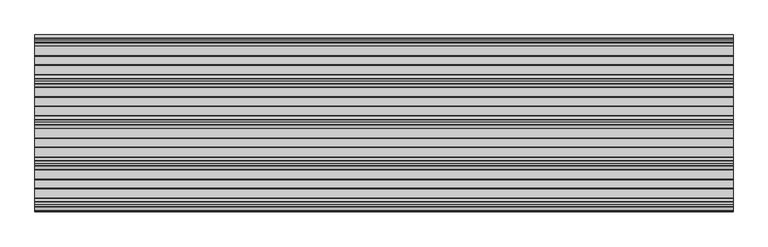
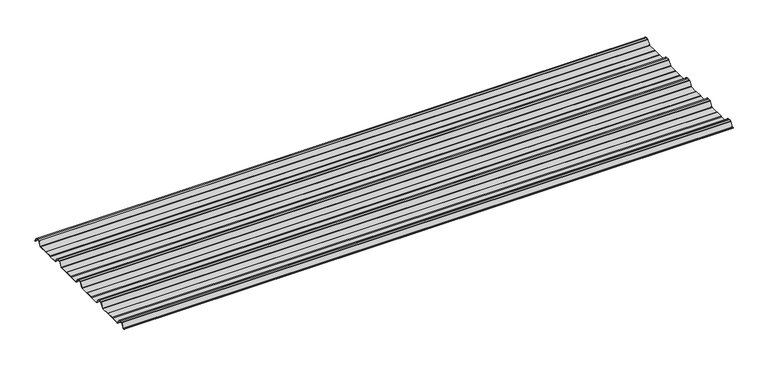
"""IFC4 building model written with IfcOpenShell, lengths in millimetres: beam geometry."""

from ifc_helpers import new_model, si_unit, point, frame, frame_2d, origin, place, context, project, spatial, polyline, circle_curve, trimmed, segment, composite_curve, outline, extrude, source, transform, mapped, element, save


def beam_7249f60c(model_context):
    return source(origin(), model_context, "Body", "SweptSolid", [
        extrude(outline(composite_curve([segment(polyline([(-72.2377386, -25.7896475), (-76.3538889, -24.06703), (-113.6461111, -24.06703), (-117.7622614, -25.7896475), (-160.0, -25.7896475)]), True, "CONTINUOUS"), segment(trimmed(circle_curve(frame_2d((-159.2196788, -21.4509358)), 4.4083239), [point((-160.0, -25.7896475))], [point((-162.8209858, -23.9933574))], False, "CARTESIAN"), True, "CONTINUOUS"), segment(polyline([(-162.8209858, -23.9933574), (-178.3273257, -0.5940367)]), True, "CONTINUOUS"), segment(trimmed(circle_curve(frame_2d((-180.8929255, -2.3855242)), 3.1291741), [point((-178.3273257, -0.5940367))], [point((-179.9028031, 0.582874))], True, "CARTESIAN"), True, "CONTINUOUS"), segment(trimmed(circle_curve(frame_2d((-189.9940851, -29.8891871)), 32.0995402), [point((-179.9028031, 0.582874))], [point((-190.0, 2.2103525))], True, "CARTESIAN"), True, "CONTINUOUS"), segment(trimmed(circle_curve(frame_2d((-190.0059149, -29.8891871)), 32.0995402), [point((-190.0, 2.2103525))], [point((-200.0971969, 0.582874))], True, "CARTESIAN"), True, "CONTINUOUS"), segment(trimmed(circle_curve(frame_2d((-199.1070745, -2.3855242)), 3.1291741), [point((-200.0971969, 0.582874))], [point((-201.6726743, -0.5940367))], True, "CARTESIAN"), True, "CONTINUOUS"), segment(polyline([(-201.6726743, -0.5940367), (-217.1790142, -23.9933574)]), True, "CONTINUOUS"), segment(trimmed(circle_curve(frame_2d((-220.7803212, -21.4509358)), 4.4083239), [point((-217.1790142, -23.9933574))], [point((-220.0, -25.7896475))], False, "CARTESIAN"), True, "CONTINUOUS"), segment(polyline([(-220.0, -25.7896475), (-262.2377386, -25.7896475), (-266.3538889, -24.06703), (-303.6461111, -24.06703), (-307.7622614, -25.7896475), (-350.0, -25.7896475)]), True, "CONTINUOUS"), segment(trimmed(circle_curve(frame_2d((-349.2196788, -21.4509358)), 4.4083239), [point((-350.0, -25.7896475))], [point((-352.8209858, -23.9933574))], False, "CARTESIAN"), True, "CONTINUOUS"), segment(polyline([(-352.8209858, -23.9933574), (-368.3273257, -0.5940367)]), True, "CONTINUOUS"), segment(trimmed(circle_curve(frame_2d((-370.8929255, -2.3855242)), 3.1291741), [point((-368.3273257, -0.5940367))], [point((-369.9028031, 0.582874))], True, "CARTESIAN"), True, "CONTINUOUS"), segment(trimmed(circle_curve(frame_2d((-379.9940851, -29.8891871)), 32.0995402), [point((-369.9028031, 0.582874))], [point((-380.0, 2.2103525))], True, "CARTESIAN"), True, "CONTINUOUS"), segment(trimmed(circle_curve(frame_2d((-380.0059149, -29.8891871)), 32.0995402), [point((-380.0, 2.2103525))], [point((-390.0971969, 0.582874))], True, "CARTESIAN"), True, "CONTINUOUS"), segment(trimmed(circle_curve(frame_2d((-389.1070745, -2.3855242)), 3.1291741), [point((-390.0971969, 0.582874))], [point((-391.6726743, -0.5940367))], True, "CARTESIAN"), True, "CONTINUOUS"), segment(polyline([(-391.6726743, -0.5940367), (-407.1790142, -23.9933574)]), True, "CONTINUOUS"), segment(trimmed(circle_curve(frame_2d((-410.7803212, -21.4509358)), 4.4083239), [point((-407.1790142, -23.9933574))], [point((-410.0, -25.7896475))], False, "CARTESIAN"), True, "CONTINUOUS"), segment(polyline([(-410.0, -25.7896475), (-452.2377387, -25.7896475), (-456.3538889, -24.06703), (-493.6461111, -24.06703), (-497.7622614, -25.7896475), (-540.0, -25.7896475)]), True, "CONTINUOUS"), segment(trimmed(circle_curve(frame_2d((-539.2196788, -21.4509358)), 4.4083239), [point((-540.0, -25.7896475))], [point((-542.8209858, -23.9933574))], False, "CARTESIAN"), True, "CONTINUOUS"), segment(polyline([(-542.8209858, -23.9933574), (-558.3273257, -0.5940367)]), True, "CONTINUOUS"), segment(trimmed(circle_curve(frame_2d((-560.8929255, -2.3855242)), 3.1291741), [point((-558.3273257, -0.5940367))], [point((-559.9028031, 0.582874))], True, "CARTESIAN"), True, "CONTINUOUS"), segment(trimmed(circle_curve(frame_2d((-569.9940851, -29.8891871)), 32.0995402), [point((-559.9028031, 0.582874))], [point((-570.0, 2.2103525))], True, "CARTESIAN"), True, "CONTINUOUS"), segment(trimmed(circle_curve(frame_2d((-570.0059149, -29.8891871)), 32.0995402), [point((-570.0, 2.2103525))], [point((-580.0971969, 0.582874))], True, "CARTESIAN"), True, "CONTINUOUS"), segment(trimmed(circle_curve(frame_2d((-579.1070745, -2.3855242)), 3.1291741), [point((-580.0971969, 0.582874))], [point((-581.6726743, -0.5940367))], True, "CARTESIAN"), True, "CONTINUOUS"), segment(polyline([(-581.6726743, -0.5940367), (-597.1790142, -23.9933574)]), True, "CONTINUOUS"), segment(trimmed(circle_curve(frame_2d((-600.7803212, -21.4509358)), 4.4083239), [point((-597.1790142, -23.9933574))], [point((-600.0, -25.7896475))], False, "CARTESIAN"), True, "CONTINUOUS"), segment(polyline([(-600.0, -25.7896475), (-642.2377387, -25.7896475), (-646.3538889, -24.06703), (-683.6461111, -24.06703), (-687.7622614, -25.7896475), (-730.0, -25.7896475)]), True, "CONTINUOUS"), segment(trimmed(circle_curve(frame_2d((-729.2196788, -21.4509358)), 4.4083239), [point((-730.0, -25.7896475))], [point((-732.8209858, -23.9933574))], False, "CARTESIAN"), True, "CONTINUOUS"), segment(polyline([(-732.8209858, -23.9933574), (-748.3273257, -0.5940367)]), True, "CONTINUOUS"), segment(trimmed(circle_curve(frame_2d((-750.8929255, -2.3855242)), 3.1291741), [point((-748.3273257, -0.5940367))], [point((-749.9028031, 0.582874))], True, "CARTESIAN"), True, "CONTINUOUS"), segment(trimmed(circle_curve(frame_2d((-759.9940851, -29.8891871)), 32.0995402), [point((-749.9028031, 0.582874))], [point((-760.0, 2.2103525))], True, "CARTESIAN"), True, "CONTINUOUS"), segment(trimmed(circle_curve(frame_2d((-760.0059149, -29.8891871)), 32.0995402), [point((-760.0, 2.2103525))], [point((-770.0971969, 0.582874))], True, "CARTESIAN"), True, "CONTINUOUS"), segment(trimmed(circle_curve(frame_2d((-769.1070745, -2.3855242)), 3.1291741), [point((-770.0971969, 0.582874))], [point((-771.6726743, -0.5940367))], True, "CARTESIAN"), True, "CONTINUOUS"), segment(polyline([(-771.6726743, -0.5940367), (-785.8536479, -21.993358)]), True, "CONTINUOUS"), segment(trimmed(circle_curve(frame_2d((-789.4549545, -19.4509358)), 4.4083239), [point((-785.8536479, -21.993358))], [point((-788.6746333, -23.7896475))], False, "CARTESIAN"), True, "CONTINUOUS"), segment(polyline([(-788.6746333, -23.7896475), (-792.3232685, -23.7896475)]), True, "CONTINUOUS"), segment(trimmed(circle_curve(frame_2d((-792.3232685, -23.2896475)), 0.5), [point((-792.3232685, -23.7896475))], [point((-792.3232685, -22.7896475))], False, "CARTESIAN"), True, "CONTINUOUS"), segment(polyline([(-792.3232685, -22.7896475), (-788.769625, -22.7896475)]), True, "CONTINUOUS"), segment(trimmed(circle_curve(frame_2d((-789.4549545, -19.4509358)), 3.4083239), [point((-788.769625, -22.7896475))], [point((-786.6785605, -21.42788))], True, "CARTESIAN"), True, "CONTINUOUS"), segment(polyline([(-786.6785605, -21.42788), (-772.5, -0.0322)]), True, "CONTINUOUS"), segment(trimmed(circle_curve(frame_2d((-769.1070745, -2.3855242)), 4.1291741), [point((-772.5, -0.0322))], [point((-770.41253, 1.5318556))], False, "CARTESIAN"), True, "CONTINUOUS"), segment(trimmed(circle_curve(frame_2d((-760.0059149, -29.8891871)), 33.0995402), [point((-770.41253, 1.5318556))], [point((-760.0, 3.2103525))], False, "CARTESIAN"), True, "CONTINUOUS"), segment(trimmed(circle_curve(frame_2d((-759.9940851, -29.8891871)), 33.0995402), [point((-760.0, 3.2103525))], [point((-749.58747, 1.5318556))], False, "CARTESIAN"), True, "CONTINUOUS"), segment(trimmed(circle_curve(frame_2d((-750.8929255, -2.3855242)), 4.1291741), [point((-749.58747, 1.5318556))], [point((-747.5, -0.0322))], False, "CARTESIAN"), True, "CONTINUOUS"), segment(polyline([(-747.5, -0.0322), (-732.1223092, -23.2373872)]), True, "CONTINUOUS"), segment(trimmed(circle_curve(frame_2d((-729.2196788, -21.4509358)), 3.4083239), [point((-732.1223092, -23.2373872))], [point((-729.9050084, -24.7896475))], True, "CARTESIAN"), True, "CONTINUOUS"), segment(polyline([(-729.9050084, -24.7896475), (-687.9630742, -24.7896475), (-683.846924, -23.06703), (-646.1530761, -23.06703), (-642.0369258, -24.7896475), (-600.0949917, -24.7896475)]), True, "CONTINUOUS"), segment(trimmed(circle_curve(frame_2d((-600.7803212, -21.4509358)), 3.4083239), [point((-600.0949917, -24.7896475))], [point((-597.8776908, -23.2373872))], True, "CARTESIAN"), True, "CONTINUOUS"), segment(polyline([(-597.8776908, -23.2373872), (-582.5, -0.0322)]), True, "CONTINUOUS"), segment(trimmed(circle_curve(frame_2d((-579.1070745, -2.3855242)), 4.1291741), [point((-582.5, -0.0322))], [point((-580.41253, 1.5318556))], False, "CARTESIAN"), True, "CONTINUOUS"), segment(trimmed(circle_curve(frame_2d((-570.0059149, -29.8891871)), 33.0995402), [point((-580.41253, 1.5318556))], [point((-570.0, 3.2103525))], False, "CARTESIAN"), True, "CONTINUOUS"), segment(trimmed(circle_curve(frame_2d((-569.9940851, -29.8891871)), 33.0995402), [point((-570.0, 3.2103525))], [point((-559.58747, 1.5318556))], False, "CARTESIAN"), True, "CONTINUOUS"), segment(trimmed(circle_curve(frame_2d((-560.8929255, -2.3855242)), 4.1291741), [point((-559.58747, 1.5318556))], [point((-557.5, -0.0322))], False, "CARTESIAN"), True, "CONTINUOUS"), segment(polyline([(-557.5, -0.0322), (-542.1223092, -23.2373872)]), True, "CONTINUOUS"), segment(trimmed(circle_curve(frame_2d((-539.2196788, -21.4509358)), 3.4083239), [point((-542.1223092, -23.2373872))], [point((-539.9050084, -24.7896475))], True, "CARTESIAN"), True, "CONTINUOUS"), segment(polyline([(-539.9050084, -24.7896475), (-497.9630742, -24.7896475), (-493.846924, -23.06703), (-456.1530761, -23.06703), (-452.0369258, -24.7896475), (-410.0949917, -24.7896475)]), True, "CONTINUOUS"), segment(trimmed(circle_curve(frame_2d((-410.7803212, -21.4509358)), 3.4083239), [point((-410.0949917, -24.7896475))], [point((-407.8776908, -23.2373872))], True, "CARTESIAN"), True, "CONTINUOUS"), segment(polyline([(-407.8776908, -23.2373872), (-392.5, -0.0322)]), True, "CONTINUOUS"), segment(trimmed(circle_curve(frame_2d((-389.1070745, -2.3855242)), 4.1291741), [point((-392.5, -0.0322))], [point((-390.41253, 1.5318556))], False, "CARTESIAN"), True, "CONTINUOUS"), segment(trimmed(circle_curve(frame_2d((-380.0059149, -29.8891871)), 33.0995402), [point((-390.41253, 1.5318556))], [point((-380.0, 3.2103525))], False, "CARTESIAN"), True, "CONTINUOUS"), segment(trimmed(circle_curve(frame_2d((-379.9940851, -29.8891871)), 33.0995402), [point((-380.0, 3.2103525))], [point((-369.58747, 1.5318556))], False, "CARTESIAN"), True, "CONTINUOUS"), segment(trimmed(circle_curve(frame_2d((-370.8929255, -2.3855242)), 4.1291741), [point((-369.58747, 1.5318556))], [point((-367.5, -0.0322))], False, "CARTESIAN"), True, "CONTINUOUS"), segment(polyline([(-367.5, -0.0322), (-352.1223092, -23.2373872)]), True, "CONTINUOUS"), segment(trimmed(circle_curve(frame_2d((-349.2196788, -21.4509358)), 3.4083239), [point((-352.1223092, -23.2373872))], [point((-349.9050084, -24.7896475))], True, "CARTESIAN"), True, "CONTINUOUS"), segment(polyline([(-349.9050084, -24.7896475), (-307.9630742, -24.7896475), (-303.846924, -23.06703), (-266.153076, -23.06703), (-262.0369258, -24.7896475), (-220.0949917, -24.7896475)]), True, "CONTINUOUS"), segment(trimmed(circle_curve(frame_2d((-220.7803212, -21.4509358)), 3.4083239), [point((-220.0949917, -24.7896475))], [point((-217.8776908, -23.2373872))], True, "CARTESIAN"), True, "CONTINUOUS"), segment(polyline([(-217.8776908, -23.2373872), (-202.5, -0.0322)]), True, "CONTINUOUS"), segment(trimmed(circle_curve(frame_2d((-199.1070745, -2.3855242)), 4.1291741), [point((-202.5, -0.0322))], [point((-200.41253, 1.5318556))], False, "CARTESIAN"), True, "CONTINUOUS"), segment(trimmed(circle_curve(frame_2d((-190.0059149, -29.8891871)), 33.0995402), [point((-200.41253, 1.5318556))], [point((-190.0, 3.2103525))], False, "CARTESIAN"), True, "CONTINUOUS"), segment(trimmed(circle_curve(frame_2d((-189.9940851, -29.8891871)), 33.0995402), [point((-190.0, 3.2103525))], [point((-179.58747, 1.5318556))], False, "CARTESIAN"), True, "CONTINUOUS"), segment(trimmed(circle_curve(frame_2d((-180.8929255, -2.3855242)), 4.1291741), [point((-179.58747, 1.5318556))], [point((-177.5, -0.0322))], False, "CARTESIAN"), True, "CONTINUOUS"), segment(polyline([(-177.5, -0.0322), (-162.1223092, -23.2373872)]), True, "CONTINUOUS"), segment(trimmed(circle_curve(frame_2d((-159.2196788, -21.4509358)), 3.4083239), [point((-162.1223092, -23.2373872))], [point((-159.9050084, -24.7896475))], True, "CARTESIAN"), True, "CONTINUOUS"), segment(polyline([(-159.9050084, -24.7896475), (-117.9630742, -24.7896475), (-113.846924, -23.06703), (-76.153076, -23.06703), (-72.0369258, -24.7896475), (-27.6957008, -24.7896475)]), True, "CONTINUOUS"), segment(trimmed(circle_curve(frame_2d((-28.3810303, -21.4509358)), 3.4083239), [point((-27.6957008, -24.7896475))], [point((-25.6046359, -23.4278795))], True, "CARTESIAN"), True, "CONTINUOUS"), segment(polyline([(-25.6046359, -23.4278795), (-10.8390947, -1.146436)]), True, "CONTINUOUS"), segment(trimmed(circle_curve(frame_2d((-9.2408211, -2.2055853)), 1.9173616), [point((-10.8390947, -1.146436))], [point((-9.7828223, -0.366425))], False, "CARTESIAN"), True, "CONTINUOUS"), segment(trimmed(circle_curve(frame_2d((-0.0059149, -29.8891871)), 31.0995402), [point((-9.7828223, -0.366425))], [point((0.0, 1.2103525))], False, "CARTESIAN"), True, "CONTINUOUS"), segment(trimmed(circle_curve(frame_2d((0.0059149, -29.8891871)), 31.0995402), [point((0.0, 1.2103525))], [point((9.7828223, -0.366425))], False, "CARTESIAN"), True, "CONTINUOUS"), segment(trimmed(circle_curve(frame_2d((9.2408211, -2.2055853)), 1.9173616), [point((9.7828223, -0.366425))], [point((10.8390947, -1.146436))], False, "CARTESIAN"), True, "CONTINUOUS"), segment(polyline([(10.8390947, -1.146436), (25.1846039, -22.7940443)]), True, "CONTINUOUS"), segment(trimmed(circle_curve(frame_2d((24.7678141, -23.0702439)), 0.5), [point((25.1846039, -22.7940443))], [point((24.3510243, -23.3464436))], False, "CARTESIAN"), True, "CONTINUOUS"), segment(polyline([(24.3510243, -23.3464436), (10.1734573, -1.9522629)]), True, "CONTINUOUS"), segment(trimmed(circle_curve(frame_2d((8.6614124, -2.9542699)), 1.8139178), [point((10.1734573, -1.9522629))], [point((9.071517, -1.18732))], True, "CARTESIAN"), True, "CONTINUOUS"), segment(trimmed(circle_curve(frame_2d((0.0059149, -29.8891871)), 30.0995402), [point((9.071517, -1.18732))], [point((0.0, 0.2103525))], True, "CARTESIAN"), True, "CONTINUOUS"), segment(trimmed(circle_curve(frame_2d((-0.0059149, -29.8891871)), 30.0995402), [point((0.0, 0.2103525))], [point((-9.071517, -1.18732))], True, "CARTESIAN"), True, "CONTINUOUS"), segment(trimmed(circle_curve(frame_2d((-8.6614124, -2.9542699)), 1.8139178), [point((-9.071517, -1.18732))], [point((-10.1734573, -1.9522629))], True, "CARTESIAN"), True, "CONTINUOUS"), segment(polyline([(-10.1734573, -1.9522629), (-24.7797233, -23.9933574)]), True, "CONTINUOUS"), segment(trimmed(circle_curve(frame_2d((-28.3810303, -21.4509358)), 4.4083239), [point((-24.7797233, -23.9933574))], [point((-27.6007091, -25.7896475))], False, "CARTESIAN"), True, "CONTINUOUS"), segment(polyline([(-27.6007091, -25.7896475), (-72.2377386, -25.7896475)]), True, "CONTINUOUS")], self_intersect=False)), frame((-1615.4201823, 0.0, 0.0), z_axis=(1.0, 0.0, 0.0), x_axis=(0.0, 1.0, 0.0)), (0.0, 0.0, 1.0), 3230.8403647),
    ])


if __name__ == "__main__":
    model = new_model("IFC4")
    model_context = context("Model", 3, world=origin())
    ifc_project = project(units=[si_unit("LENGTHUNIT", "METRE", prefix="MILLI")], contexts=[model_context])
    site = spatial("IfcSite", under=ifc_project)
    building = spatial("IfcBuilding", under=site)
    placement = place(None, origin())
    beam_shape = beam_7249f60c(model_context)
    element("IfcBeam", 1, at=placement, inside=building, context=model_context, shape_type="MappedRepresentation", body=[
        mapped(beam_shape, transform((0.0, 0.0, 0.0), x_axis=(1.0, 0.0, 0.0), y_axis=(0.0, 1.0, 0.0), z_axis=(0.0, 0.0, 1.0))),
    ])
    save(model, "model.ifc")
